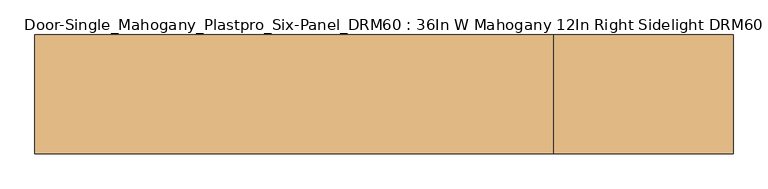
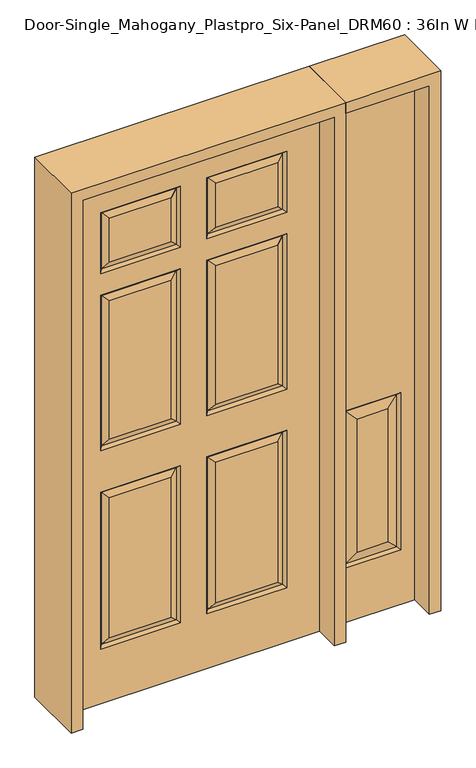
"""IFC4 building model written with IfcOpenShell, lengths in millimetres: door geometry, Door-Single_Mahogany_Plastpro_Six-Panel_DRM60 : 36In W Mahogany 12In Right Sidelight DRM60 Six Panel - 80In."""

import ifcopenshell
import ifcopenshell.guid

model = None  # the IFC model being written
_history = None  # IfcOwnerHistory: only IFC2X3 demands one
_inside = {}  # id of a spatial element -> (the spatial element, [elements in it])
_under = {}  # id of a project, library or spatial element -> (it, [spatial elements below it])
_declared = {}  # id of a project -> (the project, [libraries it declares])
_typed = {}  # id of a type object -> (the type object, [elements of that type])
_made_of = {}  # id of a material, layer set ... -> (it, [elements and type objects made of it])


def new_model(schema):
    """Start an empty IFC model of exactly this schema.

    Asked for "IFC4X3", IfcOpenShell would pick the latest addendum, in which some entities
    have other attributes; the version numbers below select the first issue.
    IFC2X3 requires an IfcOwnerHistory on every rooted entity: one is made here for all.
    """
    global model, _history
    if schema == "IFC4X3":
        model = ifcopenshell.file(schema_version=(4, 3, 0, 0))
    else:
        model = ifcopenshell.file(schema=schema)
    _inside.clear()
    _under.clear()
    _declared.clear()
    _typed.clear()
    _made_of.clear()
    _history = None
    if model.schema == "IFC2X3":
        org = make("IfcOrganization", Name="unknown")
        user = make(
            "IfcPersonAndOrganization",
            ThePerson=make("IfcPerson", FamilyName="unknown"),
            TheOrganization=org,
        )
        app = make(
            "IfcApplication",
            ApplicationDeveloper=org,
            Version="unknown",
            ApplicationFullName="unknown",
            ApplicationIdentifier="unknown",
        )
        _history = make(
            "IfcOwnerHistory",
            OwningUser=user,
            OwningApplication=app,
            ChangeAction="ADDED",
            CreationDate=0,
        )
    return model


def make(cls, **values):
    """One entity of the class cls with the attributes given. An attribute that is None is left unset."""
    return model.create_entity(
        cls, **{name: value for name, value in values.items() if value is not None}
    )


def rooted(cls, **values):
    """An entity with a GlobalId (a new one), such as an element, a storey or a relation."""
    return make(cls, GlobalId=ifcopenshell.guid.new(), OwnerHistory=_history, **values)


def si_unit(unit_type, name, prefix=None):
    """IfcSIUnit, for example si_unit("LENGTHUNIT", "METRE", prefix="MILLI")."""
    return make("IfcSIUnit", UnitType=unit_type, Prefix=prefix, Name=name)


def assignment(units):
    """IfcUnitAssignment: the units of a project."""
    return None if units is None else make("IfcUnitAssignment", Units=units)


def point(xyz):
    """IfcCartesianPoint."""
    return None if xyz is None else make("IfcCartesianPoint", Coordinates=xyz)


def direction(xyz):
    """IfcDirection."""
    return None if xyz is None else make("IfcDirection", DirectionRatios=xyz)


def frame(location, z_axis=None, x_axis=None):
    """IfcAxis2Placement3D, a coordinate frame: its origin and axes. An axis left out is left unset."""
    return make(
        "IfcAxis2Placement3D",
        Location=point(location),
        Axis=direction(z_axis),
        RefDirection=direction(x_axis),
    )


def origin():
    """The frame at (0, 0, 0) with its axes left unset."""
    return frame((0.0, 0.0, 0.0))


def place(relative_to, where):
    """IfcLocalPlacement: puts the frame where relative to a parent placement (None: the world)."""
    return make(
        "IfcLocalPlacement", PlacementRelTo=relative_to, RelativePlacement=where
    )


def context(
    kind, dimensions, precision=None, world=None, true_north=None, identifier=None
):
    """IfcGeometricRepresentationContext, for example the 3D "Model" context."""
    return make(
        "IfcGeometricRepresentationContext",
        ContextIdentifier=identifier,
        ContextType=kind,
        CoordinateSpaceDimension=dimensions,
        Precision=precision,
        WorldCoordinateSystem=world,
        TrueNorth=true_north,
    )


def project(units=None, contexts=None):
    """IfcProject with its units and contexts."""
    return rooted(
        "IfcProject",
        Name="project",
        RepresentationContexts=contexts,
        UnitsInContext=assignment(units),
    )


def spatial(cls, under=None, at=None, **own):
    """A site, building, storey or space (cls), placed at a placement, below another one or the project."""
    s = rooted(cls, ObjectPlacement=at, **own)
    if under is not None:
        _under.setdefault(under.id(), (under, []))[1].append(s)
    return s


def polyline(points):
    """IfcPolyline through the points."""
    return make("IfcPolyline", Points=[point(p) for p in points])


def outline(outer, holes=None, kind="AREA"):
    """IfcArbitraryClosedProfileDef: a profile drawn as a closed curve; with holes, ...WithVoids."""
    if holes is None:
        return make("IfcArbitraryClosedProfileDef", ProfileType=kind, OuterCurve=outer)
    return make(
        "IfcArbitraryProfileDefWithVoids",
        ProfileType=kind,
        OuterCurve=outer,
        InnerCurves=holes,
    )


def extrude(swept, where, along, depth):
    """IfcExtrudedAreaSolid: the profile swept, set in the frame where, extruded along a direction by depth."""
    return make(
        "IfcExtrudedAreaSolid",
        SweptArea=swept,
        Position=where,
        ExtrudedDirection=direction(along),
        Depth=depth,
    )


def faces_of(points, faces, orient=None, outer=None):
    """IfcFace entities. A face is a list of loops; a loop is a list of indices into points, from 0.

    orient and outer hold one flag for each loop. By default every Orientation is true, the
    first loop of a face is its IfcFaceOuterBound and the others are IfcFaceBound.
    """
    made = []
    for i, loops in enumerate(faces):
        bounds = []
        for j, loop in enumerate(loops):
            is_outer = j == 0 if outer is None else outer[i][j]
            bounds.append(
                make(
                    "IfcFaceOuterBound" if is_outer else "IfcFaceBound",
                    Bound=make("IfcPolyLoop", Polygon=[points[k] for k in loop]),
                    Orientation=True if orient is None else orient[i][j],
                )
            )
        made.append(make("IfcFace", Bounds=bounds))
    return made


def faceted_brep(points, faces, orient=None, outer=None, voids=None):
    """IfcFacetedBrep: a solid bounded by flat faces; with voids (closed shells), ...WithVoids."""
    shared = [point(p) for p in points]
    hull = make("IfcClosedShell", CfsFaces=faces_of(shared, faces, orient, outer))
    if voids is None:
        return make("IfcFacetedBrep", Outer=hull)
    return make(
        "IfcFacetedBrepWithVoids",
        Outer=hull,
        Voids=[
            make(cls, CfsFaces=faces_of(shared, fs, o, b)) for cls, fs, o, b in voids
        ],
    )


def shape(context_of_items, identifier, shape_type, items):
    """IfcShapeRepresentation: the items that make up one representation, for example the "Body"."""
    return make(
        "IfcShapeRepresentation",
        ContextOfItems=context_of_items,
        RepresentationIdentifier=identifier,
        RepresentationType=shape_type,
        Items=items,
    )


def source(mapping_origin, context_of_items, identifier, shape_type, items):
    """IfcRepresentationMap: a shape defined once, which mapped items show again and again."""
    return make(
        "IfcRepresentationMap",
        MappingOrigin=mapping_origin,
        MappedRepresentation=shape(context_of_items, identifier, shape_type, items),
    )


def transform(
    local_origin,
    x_axis=None,
    y_axis=None,
    z_axis=None,
    scale=None,
    scale2=None,
    scale3=None,
    uniform=True,
):
    """IfcCartesianTransformationOperator3D, or its non-uniform kind. x_axis, y_axis, z_axis: its Axis1, 2, 3."""
    if uniform:
        return make(
            "IfcCartesianTransformationOperator3D",
            Axis1=direction(x_axis),
            Axis2=direction(y_axis),
            LocalOrigin=point(local_origin),
            Scale=scale,
            Axis3=direction(z_axis),
        )
    return make(
        "IfcCartesianTransformationOperator3DnonUniform",
        Axis1=direction(x_axis),
        Axis2=direction(y_axis),
        LocalOrigin=point(local_origin),
        Scale=scale,
        Axis3=direction(z_axis),
        Scale2=scale2,
        Scale3=scale3,
    )


def mapped(mapping_source, mapping_target):
    """IfcMappedItem: shows the shape of a source again, moved by a transform."""
    return make(
        "IfcMappedItem", MappingSource=mapping_source, MappingTarget=mapping_target
    )


def made_of(thing, what):
    """Note that an element or type object is made of a material, layer set ...; save() writes the relation."""
    if what is not None:
        _made_of.setdefault(what.id(), (what, []))[1].append(thing)
    return thing


def element(
    cls,
    number,
    at=None,
    inside=None,
    cuts=None,
    type_object=None,
    material=None,
    context=None,
    identifier="Body",
    shape_type=None,
    held_by="IfcProductDefinitionShape",
    body=None,
    shapes=None,
    **own,
):
    """One element of the class cls, such as IfcWall. Its Tag is "e" and its number.

    at: its placement. inside: the storey or other place that contains it. cuts: it is an
    opening in that element (IfcRelVoidsElement). A single representation is given by context,
    identifier, shape_type and body (its items); several are given by shapes. held_by: the class
    of the entity that holds the representations. save() writes the other relations.
    """
    e = rooted(cls, Tag="e%d" % number, ObjectPlacement=at, **own)
    if body is not None:
        shapes = [shape(context, identifier, shape_type, body)]
    if shapes is not None:
        e.Representation = make(held_by, Representations=shapes)
    if inside is not None:
        _inside.setdefault(inside.id(), (inside, []))[1].append(e)
    if cuts is not None:
        rooted(
            "IfcRelVoidsElement", RelatingBuildingElement=cuts, RelatedOpeningElement=e
        )
    if type_object is not None:
        _typed.setdefault(type_object.id(), (type_object, []))[1].append(e)
    return made_of(e, material)


def aggregate(whole, parts):
    """IfcRelAggregates: a whole, such as a stair, and the parts it consists of."""
    return rooted("IfcRelAggregates", RelatingObject=whole, RelatedObjects=parts)


def save(model, path):
    """Write the relations noted so far, then the file.

    IfcRelAggregates (storeys below a building ...), IfcRelContainedInSpatialStructure (elements
    in a storey), IfcRelDefinesByType, IfcRelAssociatesMaterial and IfcRelDeclares: one each for
    every whole, place, type object, material and project.
    """
    for whole, parts in _under.values():
        aggregate(whole, parts)
    for where, things in _inside.values():
        rooted(
            "IfcRelContainedInSpatialStructure",
            RelatedElements=things,
            RelatingStructure=where,
        )
    for kind, things in _typed.values():
        rooted("IfcRelDefinesByType", RelatedObjects=things, RelatingType=kind)
    for what, things in _made_of.values():
        rooted("IfcRelAssociatesMaterial", RelatedObjects=things, RelatingMaterial=what)
    for by, libraries in _declared.values():
        rooted("IfcRelDeclares", RelatingContext=by, RelatedDefinitions=libraries)
    model.write(path)


def door_single_mahogany_plastpro_six_panel_drm60_36in_w_8d1d6bdb(model_context):
    return source(origin(), model_context, "Body", "SolidModel", [
        faceted_brep([(498.475, -20.6375, 0.0), (803.275, -20.6375, 0.0), (803.275, -20.6375, 2032.0), (498.475, -20.6375, 2032.0), (752.475, -20.6375, 209.55), (549.275, -20.6375, 209.55), (549.275, -20.6375, 812.8), (752.475, -20.6375, 812.8), (595.3125, -20.6375, 255.5875), (706.4375, -20.6375, 255.5875), (706.4375, -20.6375, 766.7625), (595.3125, -20.6375, 766.7625), (498.475, 20.6375, 0.0), (803.275, 20.6375, 0.0), (803.275, 20.6375, 2032.0), (498.475, 20.6375, 2032.0), (549.275, 20.6375, 209.55), (752.475, 20.6375, 209.55), (752.475, 20.6375, 812.8), (549.275, 20.6375, 812.8), (706.4375, 20.6375, 255.5875), (595.3125, 20.6375, 255.5875), (595.3125, 20.6375, 766.7625), (706.4375, 20.6375, 766.7625), (743.4947439, -11.6572439, 218.5302561), (558.2552561, -11.6572439, 218.5302561), (558.2552561, -11.6572439, 803.8197439), (743.4947439, -11.6572439, 803.8197439), (558.2552561, 11.6572439, 218.5302561), (743.4947439, 11.6572439, 218.5302561), (743.4947439, 11.6572439, 803.8197439), (558.2552561, 11.6572439, 803.8197439)], [[[0, 1, 2, 3], [4, 5, 6, 7]], [[8, 9, 10, 11]], [[1, 0, 12, 13]], [[2, 1, 13, 14]], [[0, 3, 15, 12]], [[12, 15, 14, 13], [16, 17, 18, 19]], [[20, 21, 22, 23]], [[3, 2, 14, 15]], [[24, 25, 5, 4]], [[5, 25, 26, 6]], [[6, 26, 27, 7]], [[24, 4, 7, 27]], [[25, 24, 9, 8]], [[9, 24, 27, 10]], [[26, 11, 10, 27]], [[25, 8, 11, 26]], [[16, 28, 29, 17]], [[17, 29, 30, 18]], [[31, 19, 18, 30]], [[28, 16, 19, 31]], [[29, 28, 21, 20]], [[21, 28, 31, 22]], [[22, 31, 30, 23]], [[29, 20, 23, 30]]]),
        faceted_brep([(457.2, -20.6375, 0.0), (-457.2, -20.6375, 0.0), (-457.2, 20.6375, 0.0), (457.2, 20.6375, 0.0), (-305.5351108, -20.6375, 1004.0531705), (-80.1281705, -20.6375, 1004.0531705), (-80.1281705, -20.6375, 1535.9468295), (-305.5351108, -20.6375, 1535.9468295), (80.1291512, -20.6375, 1004.0541512), (305.5341301, -20.6375, 1004.0541512), (305.5341301, -20.6375, 1535.9458488), (80.1291512, -20.6375, 1535.9458488), (80.1281705, -20.6375, 242.0531705), (305.5351108, -20.6375, 242.0531705), (305.5351108, -20.6375, 780.2968295), (80.1281705, -20.6375, 780.2968295), (-305.5351108, -20.6375, 242.0531705), (-80.1281705, -20.6375, 242.0531705), (-80.1281705, -20.6375, 780.2968295), (-305.5351108, -20.6375, 780.2968295), (80.1281705, -20.6375, 1683.5031705), (305.5351108, -20.6375, 1683.5031705), (305.5351108, -20.6375, 1853.4468295), (80.1281705, -20.6375, 1853.4468295), (-305.5351108, -20.6375, 1683.5031705), (-80.1281705, -20.6375, 1683.5031705), (-80.1281705, -20.6375, 1853.4468295), (-305.5351108, -20.6375, 1853.4468295), (457.2, -20.6375, 2032.0), (-457.2, -20.6375, 2032.0), (338.0372993, -20.6375, 971.5509819), (47.6259819, -20.6375, 971.5509819), (47.6259819, -20.6375, 1568.4490181), (338.0372993, -20.6375, 1568.4490181), (-47.6250012, -20.6375, 971.5500012), (-338.03828, -20.6375, 971.5500012), (-338.03828, -20.6375, 1568.4499988), (-47.6250012, -20.6375, 1568.4499988), (338.03828, -20.6375, 209.5500012), (47.6250012, -20.6375, 209.5500012), (47.6250012, -20.6375, 812.7999988), (338.03828, -20.6375, 812.7999988), (-47.6250012, -20.6375, 209.5500012), (-338.03828, -20.6375, 209.5500012), (-338.03828, -20.6375, 812.7999988), (-47.6250012, -20.6375, 812.7999988), (338.03828, -20.6375, 1651.0000012), (47.6250012, -20.6375, 1651.0000012), (47.6250012, -20.6375, 1885.9499988), (338.03828, -20.6375, 1885.9499988), (-47.6250012, -20.6375, 1651.0000012), (-338.03828, -20.6375, 1651.0000012), (-338.03828, -20.6375, 1885.9499988), (-47.6250012, -20.6375, 1885.9499988), (-457.2, 20.6375, 2032.0), (-80.1281705, 20.6375, 1004.0531705), (-305.5351108, 20.6375, 1004.0531705), (-305.5351108, 20.6375, 1535.9468295), (-80.1281705, 20.6375, 1535.9468295), (305.5341301, 20.6375, 1004.0541512), (80.1291512, 20.6375, 1004.0541512), (80.1291512, 20.6375, 1535.9458488), (305.5341301, 20.6375, 1535.9458488), (305.5351108, 20.6375, 242.0531705), (80.1281705, 20.6375, 242.0531705), (80.1281705, 20.6375, 780.2968295), (305.5351108, 20.6375, 780.2968295), (-80.1281705, 20.6375, 242.0531705), (-305.5351108, 20.6375, 242.0531705), (-305.5351108, 20.6375, 780.2968295), (-80.1281705, 20.6375, 780.2968295), (305.5351108, 20.6375, 1683.5031705), (80.1281705, 20.6375, 1683.5031705), (80.1281705, 20.6375, 1853.4468295), (305.5351108, 20.6375, 1853.4468295), (-80.1281705, 20.6375, 1683.5031705), (-305.5351108, 20.6375, 1683.5031705), (-305.5351108, 20.6375, 1853.4468295), (-80.1281705, 20.6375, 1853.4468295), (457.2, 20.6375, 2032.0), (-338.03828, 20.6375, 971.5500012), (-47.6250012, 20.6375, 971.5500012), (-47.6250012, 20.6375, 1568.4499988), (-338.03828, 20.6375, 1568.4499988), (47.6259819, 20.6375, 971.5509819), (338.0372993, 20.6375, 971.5509819), (338.0372993, 20.6375, 1568.4490181), (47.6259819, 20.6375, 1568.4490181), (47.6250012, 20.6375, 209.5500012), (338.03828, 20.6375, 209.5500012), (338.03828, 20.6375, 812.7999988), (47.6250012, 20.6375, 812.7999988), (-338.03828, 20.6375, 209.5500012), (-47.6250012, 20.6375, 209.5500012), (-47.6250012, 20.6375, 812.7999988), (-338.03828, 20.6375, 812.7999988), (47.6250012, 20.6375, 1651.0000012), (338.03828, 20.6375, 1651.0000012), (338.03828, 20.6375, 1885.9499988), (47.6250012, 20.6375, 1885.9499988), (-338.03828, 20.6375, 1651.0000012), (-47.6250012, 20.6375, 1651.0000012), (-47.6250012, 20.6375, 1885.9499988), (-338.03828, 20.6375, 1885.9499988), (-328.3527618, 10.9519818, 981.2355194), (-57.3105194, 10.9519818, 981.2355194), (-57.3105194, 10.9519818, 1558.7644806), (-328.3527618, 10.9519818, 1558.7644806), (57.3115001, 10.9519818, 981.2365001), (328.3517811, 10.9519818, 981.2365001), (328.3517811, 10.9519818, 1558.7634999), (57.3115001, 10.9519818, 1558.7634999), (57.3105194, 10.9519818, 219.2355194), (328.3527618, 10.9519818, 219.2355194), (328.3527618, 10.9519818, 803.1144806), (57.3105194, 10.9519818, 803.1144806), (-328.3527618, 10.9519818, 219.2355194), (-57.3105194, 10.9519818, 219.2355194), (-57.3105194, 10.9519818, 803.1144806), (-328.3527618, 10.9519818, 803.1144806), (-328.3527618, -10.9519818, 981.2355194), (-57.3105194, -10.9519818, 981.2355194), (-57.3105194, -10.9519818, 1558.7644806), (-328.3527618, -10.9519818, 1558.7644806), (57.3115001, -10.9519818, 981.2365001), (328.3517811, -10.9519818, 981.2365001), (328.3517811, -10.9519818, 1558.7634999), (57.3115001, -10.9519818, 1558.7634999), (57.3105194, -10.9519818, 219.2355194), (328.3527618, -10.9519818, 219.2355194), (328.3527618, -10.9519818, 803.1144806), (57.3105194, -10.9519818, 803.1144806), (-328.3527618, -10.9519818, 219.2355194), (-57.3105194, -10.9519818, 219.2355194), (-57.3105194, -10.9519818, 803.1144806), (-328.3527618, -10.9519818, 803.1144806), (57.3105194, 10.9519818, 1660.6855194), (328.3527618, 10.9519818, 1660.6855194), (57.3105194, -10.9519818, 1660.6855194), (328.3527618, -10.9519818, 1660.6855194), (57.3105194, 10.9519818, 1876.2644806), (57.3105194, -10.9519818, 1876.2644806), (328.3527618, 10.9519818, 1876.2644806), (328.3527618, -10.9519818, 1876.2644806), (-328.3527618, 10.9519818, 1660.6855194), (-57.3105194, 10.9519818, 1660.6855194), (-328.3527618, 10.9519818, 1876.2644806), (-57.3105194, 10.9519818, 1876.2644806), (-328.3527618, -10.9519818, 1660.6855194), (-57.3105194, -10.9519818, 1660.6855194), (-328.3527618, -10.9519818, 1876.2644806), (-57.3105194, -10.9519818, 1876.2644806)], [[[0, 1, 2, 3]], [[4, 5, 6, 7]], [[8, 9, 10, 11]], [[12, 13, 14, 15]], [[16, 17, 18, 19]], [[20, 21, 22, 23]], [[24, 25, 26, 27]], [[28, 29, 1, 0], [30, 31, 32, 33], [34, 35, 36, 37], [38, 39, 40, 41], [42, 43, 44, 45], [46, 47, 48, 49], [50, 51, 52, 53]], [[29, 54, 2, 1]], [[55, 56, 57, 58]], [[59, 60, 61, 62]], [[63, 64, 65, 66]], [[67, 68, 69, 70]], [[71, 72, 73, 74]], [[75, 76, 77, 78]], [[54, 79, 3, 2], [80, 81, 82, 83], [84, 85, 86, 87], [88, 89, 90, 91], [92, 93, 94, 95], [96, 97, 98, 99], [100, 101, 102, 103]], [[79, 28, 0, 3]], [[80, 104, 105, 81]], [[81, 105, 106, 82]], [[104, 80, 83, 107]], [[105, 104, 56, 55]], [[56, 104, 107, 57]], [[105, 55, 58, 106]], [[84, 108, 109, 85]], [[85, 109, 110, 86]], [[108, 84, 87, 111]], [[109, 108, 60, 59]], [[60, 108, 111, 61]], [[109, 59, 62, 110]], [[88, 112, 113, 89]], [[89, 113, 114, 90]], [[115, 91, 90, 114]], [[112, 88, 91, 115]], [[113, 112, 64, 63]], [[64, 112, 115, 65]], [[65, 115, 114, 66]], [[113, 63, 66, 114]], [[92, 116, 117, 93]], [[93, 117, 118, 94]], [[119, 95, 94, 118]], [[116, 92, 95, 119]], [[117, 116, 68, 67]], [[68, 116, 119, 69]], [[69, 119, 118, 70]], [[117, 67, 70, 118]], [[4, 120, 121, 5]], [[5, 121, 122, 6]], [[120, 4, 7, 123]], [[121, 120, 35, 34]], [[35, 120, 123, 36]], [[121, 34, 37, 122]], [[8, 124, 125, 9]], [[9, 125, 126, 10]], [[124, 8, 11, 127]], [[125, 124, 31, 30]], [[31, 124, 127, 32]], [[125, 30, 33, 126]], [[12, 128, 129, 13]], [[13, 129, 130, 14]], [[131, 15, 14, 130]], [[128, 12, 15, 131]], [[129, 128, 39, 38]], [[39, 128, 131, 40]], [[40, 131, 130, 41]], [[129, 38, 41, 130]], [[16, 132, 133, 17]], [[17, 133, 134, 18]], [[135, 19, 18, 134]], [[132, 16, 19, 135]], [[133, 132, 43, 42]], [[43, 132, 135, 44]], [[44, 135, 134, 45]], [[133, 42, 45, 134]], [[96, 136, 137, 97]], [[137, 136, 72, 71]], [[20, 138, 139, 21]], [[139, 138, 47, 46]], [[136, 96, 99, 140]], [[72, 136, 140, 73]], [[138, 20, 23, 141]], [[47, 138, 141, 48]], [[140, 99, 98, 142]], [[73, 140, 142, 74]], [[141, 23, 22, 143]], [[48, 141, 143, 49]], [[97, 137, 142, 98]], [[137, 71, 74, 142]], [[21, 139, 143, 22]], [[139, 46, 49, 143]], [[28, 79, 54, 29]], [[100, 144, 145, 101]], [[145, 144, 76, 75]], [[144, 100, 103, 146]], [[76, 144, 146, 77]], [[146, 103, 102, 147]], [[77, 146, 147, 78]], [[101, 145, 147, 102]], [[145, 75, 78, 147]], [[24, 148, 149, 25]], [[149, 148, 51, 50]], [[148, 24, 27, 150]], [[51, 148, 150, 52]], [[150, 27, 26, 151]], [[52, 150, 151, 53]], [[25, 149, 151, 26]], [[149, 50, 53, 151]], [[107, 83, 82, 106]], [[57, 107, 106, 58]], [[123, 7, 6, 122]], [[36, 123, 122, 37]], [[111, 87, 86, 110]], [[61, 111, 110, 62]], [[127, 11, 10, 126]], [[32, 127, 126, 33]]]),
        extrude(outline(polyline([(2073.275, -498.475), (0.0, -498.475), (0.0, -457.2), (2032.0, -457.2), (2032.0, 457.2), (0.0, 457.2), (0.0, 498.475), (2073.275, 498.475), (2073.275, -498.475)])), frame((0.0, -114.3, 0.0), z_axis=(0.0, 1.0, 0.0), x_axis=(0.0, 0.0, 1.0)), (0.0, 0.0, 1.0), 228.6),
        extrude(outline(polyline([(0.0, 803.275), (0.0, 844.55), (2073.275, 844.55), (2073.275, 498.475), (2032.0, 498.475), (2032.0, 803.275), (0.0, 803.275)])), frame((0.0, -114.3, 0.0), z_axis=(0.0, 1.0, 0.0), x_axis=(0.0, 0.0, 1.0)), (0.0, 0.0, 1.0), 228.6),
    ])


if __name__ == "__main__":
    model = new_model("IFC4")
    model_context = context("Model", 3, world=origin())
    ifc_project = project(units=[si_unit("LENGTHUNIT", "METRE", prefix="MILLI")], contexts=[model_context])
    site = spatial("IfcSite", under=ifc_project)
    building = spatial("IfcBuilding", under=site)
    placement = place(None, origin())
    door_single_mahogany_plastpro_six_panel_drm60_36in_w_shape = door_single_mahogany_plastpro_six_panel_drm60_36in_w_8d1d6bdb(model_context)
    element("IfcDoor", 1, ObjectType="Door-Single_Mahogany_Plastpro_Six-Panel_DRM60 : 36In W Mahogany 12In Right Sidelight DRM60 Six Panel - 80In", at=placement, inside=building, context=model_context, shape_type="MappedRepresentation", body=[
        mapped(door_single_mahogany_plastpro_six_panel_drm60_36in_w_shape, transform((0.0, 0.0, 0.0), x_axis=(1.0, 0.0, 0.0), y_axis=(0.0, 1.0, 0.0), z_axis=(0.0, 0.0, 1.0))),
    ])
    save(model, "model.ifc")
